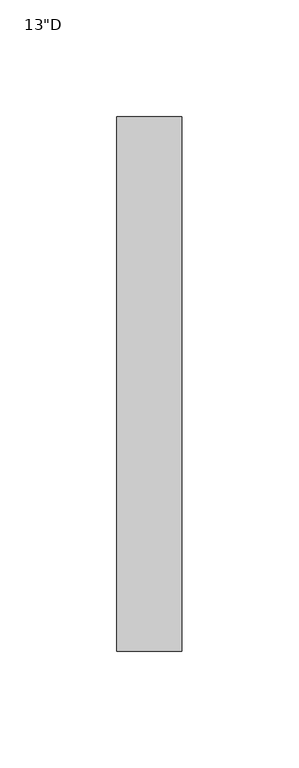
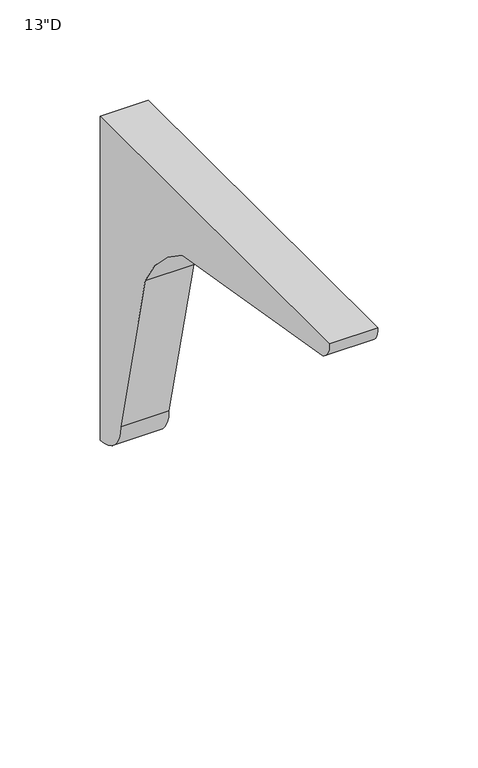
"""IFC4 building model written with IfcOpenShell, lengths in millimetres: furniture geometry."""

from ifc_helpers import new_model, si_unit, point, frame, frame_2d, origin, place, context, project, spatial, polyline, circle_curve, trimmed, segment, composite_curve, outline, extrude, source, transform, mapped, element, save


def furniture_a34342e9(model_context):
    return source(origin(), model_context, "Body", "SweptSolid", [
        extrude(outline(composite_curve([segment(trimmed(circle_curve(frame_2d((-143.9606717, 852.5430632)), 86.0560025), [point((-66.8363066, 890.7198609))], [point((-103.3820864, 928.4312309))], True, "CARTESIAN"), True, "CONTINUOUS"), segment(polyline([(-103.3820864, 928.4312309), (-243.6532059, 952.5185324)]), True, "CONTINUOUS"), segment(trimmed(circle_curve(frame_2d((-239.3486305, 962.6931611)), 11.0477345), [point((-243.6532059, 952.5185324))], [point((-250.35256, 963.676))], False, "CARTESIAN"), True, "CONTINUOUS"), segment(polyline([(-250.35256, 963.676), (-21.75256, 963.676), (-21.75256, 766.429125)]), True, "CONTINUOUS"), segment(trimmed(circle_curve(frame_2d((-21.75256, 786.8304665)), 20.4013415), [point((-21.75256, 766.429125))], [point((-42.1539008, 786.8250548))], False, "CARTESIAN"), True, "CONTINUOUS"), segment(polyline([(-42.1539008, 786.8250548), (-66.8363066, 890.7198609)]), True, "CONTINUOUS")], self_intersect=False)), frame((4.8493945, 0.0, 0.0), z_axis=(1.0, 0.0, 0.0), x_axis=(0.0, 1.0, 0.0)), (0.0, 0.0, 1.0), 27.78125),
    ])


if __name__ == "__main__":
    model = new_model("IFC4")
    model_context = context("Model", 3, world=origin())
    ifc_project = project(units=[si_unit("LENGTHUNIT", "METRE", prefix="MILLI")], contexts=[model_context])
    site = spatial("IfcSite", under=ifc_project)
    building = spatial("IfcBuilding", under=site)
    placement = place(None, origin())
    furniture_shape = furniture_a34342e9(model_context)
    element("IfcFurniture", 1, ObjectType="13\"D", at=placement, inside=building, context=model_context, shape_type="MappedRepresentation", body=[
        mapped(furniture_shape, transform((0.0, 0.0, 0.0), x_axis=(1.0, 0.0, 0.0), y_axis=(0.0, 1.0, 0.0), z_axis=(0.0, 0.0, 1.0))),
    ])
    save(model, "model.ifc")
